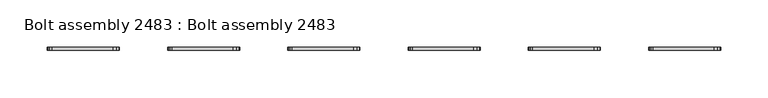
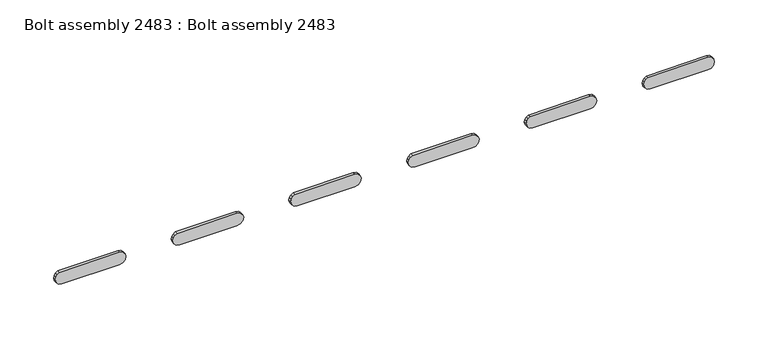
"""IFC4 building model written with IfcOpenShell, lengths in millimetres: proxy geometry, Bolt assembly 2483 : Bolt assembly 2483."""

from ifc_helpers import new_model, si_unit, frame, origin, place, context, project, spatial, polyline, outline, extrude, source, transform, mapped, element, save


def bolt_assembly_2483_bolt_assembly_2483_a5d15eca(model_context):
    return source(origin(), model_context, "Body", "SweptSolid", [
        extrude(outline(polyline([(-76.5975015, 29.5322486), (-79.212753, 32.1475001), (-80.1700015, 35.7200001), (-80.1700015, 97.6299999), (-79.212753, 101.2024999), (-76.5975015, 103.8177514), (-73.0250015, 104.7749999), (-69.4525015, 103.8177514), (-66.83725, 101.2024999), (-65.8800015, 97.6299999), (-66.4238823, 32.985727), (-67.9727236, 30.6677221), (-70.2907284, 29.1188808), (-73.0250015, 28.5750001), (-76.5975015, 29.5322486)])), frame((0.0, 1863.6250008, 0.0), z_axis=(0.0, 1.0, 0.0), x_axis=(0.0, 0.0, 1.0)), (0.0, 0.0, 1.0), 3.275),
        extrude(outline(polyline([(-76.5975015, 156.5322486), (-79.212753, 159.1475001), (-80.1700015, 162.7200001), (-80.1700015, 224.6299999), (-79.212753, 228.2024999), (-76.5975015, 230.8177514), (-73.0250015, 231.7749999), (-69.4525015, 230.8177514), (-66.83725, 228.2024999), (-65.8800015, 224.6299999), (-66.4238823, 159.985727), (-67.9727236, 157.6677221), (-70.2907284, 156.1188808), (-73.0250015, 155.5750001), (-76.5975015, 156.5322486)])), frame((0.0, 1863.6250008, 0.0), z_axis=(0.0, 1.0, 0.0), x_axis=(0.0, 0.0, 1.0)), (0.0, 0.0, 1.0), 3.275),
        extrude(outline(polyline([(-76.5975015, 283.5322486), (-79.212753, 286.1475001), (-80.1700015, 289.7200001), (-80.1700015, 351.6299999), (-79.212753, 355.2024999), (-76.5975015, 357.8177514), (-73.0250015, 358.7749999), (-69.4525015, 357.8177514), (-66.83725, 355.2024999), (-65.8800015, 351.6299999), (-66.4238823, 286.985727), (-67.9727236, 284.6677221), (-70.2907284, 283.1188808), (-73.0250015, 282.5750001), (-76.5975015, 283.5322486)])), frame((0.0, 1863.6250008, 0.0), z_axis=(0.0, 1.0, 0.0), x_axis=(0.0, 0.0, 1.0)), (0.0, 0.0, 1.0), 3.275),
        extrude(outline(polyline([(-76.5975015, 410.5322486), (-79.212753, 413.1475001), (-80.1700015, 416.7200001), (-80.1700015, 478.6299999), (-79.212753, 482.2024999), (-76.5975015, 484.8177514), (-73.0250015, 485.7749999), (-69.4525015, 484.8177514), (-66.83725, 482.2024999), (-65.8800015, 478.6299999), (-66.4238823, 413.985727), (-67.9727236, 411.6677221), (-70.2907284, 410.1188808), (-73.0250015, 409.5750001), (-76.5975015, 410.5322486)])), frame((0.0, 1863.6250008, 0.0), z_axis=(0.0, 1.0, 0.0), x_axis=(0.0, 0.0, 1.0)), (0.0, 0.0, 1.0), 3.275),
        extrude(outline(polyline([(-76.5975015, 537.5322486), (-79.212753, 540.1475001), (-80.1700015, 543.7200001), (-80.1700015, 605.6299999), (-79.212753, 609.2024999), (-76.5975015, 611.8177514), (-73.0250015, 612.7749999), (-69.4525015, 611.8177514), (-66.83725, 609.2024999), (-65.8800015, 605.6299999), (-66.4238823, 540.985727), (-67.9727236, 538.6677221), (-70.2907284, 537.1188808), (-73.0250015, 536.5750001), (-76.5975015, 537.5322486)])), frame((0.0, 1863.6250008, 0.0), z_axis=(0.0, 1.0, 0.0), x_axis=(0.0, 0.0, 1.0)), (0.0, 0.0, 1.0), 3.275),
        extrude(outline(polyline([(-76.5975015, 664.5322486), (-79.212753, 667.1475001), (-80.1700015, 670.7200001), (-80.1700015, 732.6299999), (-79.212753, 736.2024999), (-76.5975015, 738.8177514), (-73.0250015, 739.7749999), (-69.4525015, 738.8177514), (-66.83725, 736.2024999), (-65.8800015, 732.6299999), (-66.4238823, 667.985727), (-67.9727236, 665.6677221), (-70.2907284, 664.1188808), (-73.0250015, 663.5750001), (-76.5975015, 664.5322486)])), frame((0.0, 1863.6250008, 0.0), z_axis=(0.0, 1.0, 0.0), x_axis=(0.0, 0.0, 1.0)), (0.0, 0.0, 1.0), 3.275),
    ])


if __name__ == "__main__":
    model = new_model("IFC4")
    model_context = context("Model", 3, world=origin())
    ifc_project = project(units=[si_unit("LENGTHUNIT", "METRE", prefix="MILLI")], contexts=[model_context])
    site = spatial("IfcSite", under=ifc_project)
    building = spatial("IfcBuilding", under=site)
    placement = place(None, origin())
    bolt_assembly_2483_bolt_assembly_2483_shape = bolt_assembly_2483_bolt_assembly_2483_a5d15eca(model_context)
    element("IfcBuildingElementProxy", 1, Name="Bolt assembly 2483 : Bolt assembly 2483", ObjectType="Bolt assembly 2483 : Bolt assembly 2483", at=placement, inside=building, context=model_context, shape_type="MappedRepresentation", body=[
        mapped(bolt_assembly_2483_bolt_assembly_2483_shape, transform((0.0, 0.0, 0.0), x_axis=(1.0, 0.0, 0.0), y_axis=(0.0, 1.0, 0.0), z_axis=(0.0, 0.0, 1.0))),
    ])
    save(model, "model.ifc")
